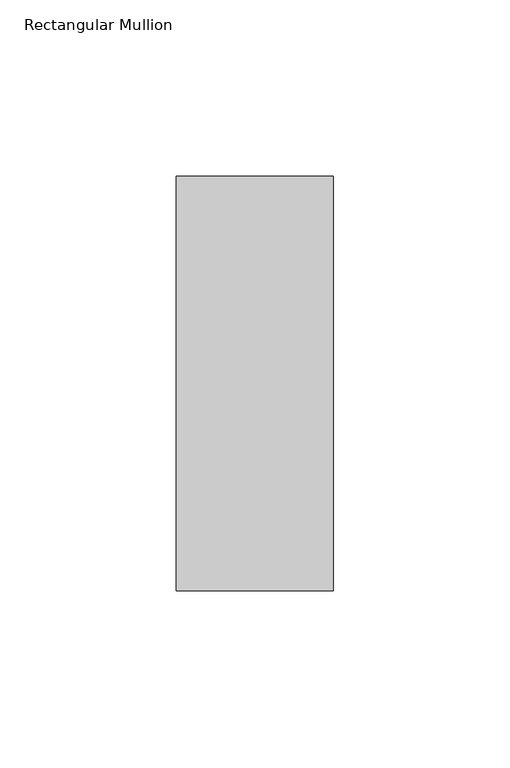
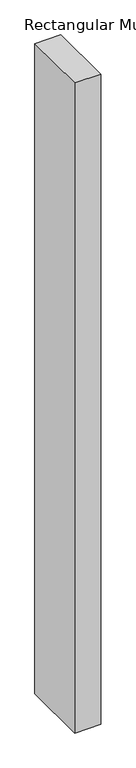
"""IFC4 building model written with IfcOpenShell, lengths in millimetres: member geometry, Rectangular Mullion."""

from ifc_helpers import new_model, si_unit, frame, origin, place, context, project, spatial, polyline, outline, extrude, source, transform, mapped, element, save


def rectangular_mullion_c1e21acc(model_context):
    return source(origin(), model_context, "Body", "SweptSolid", [
        extrude(outline(polyline([(-44.45, 57.1464454), (0.0, 57.1464454), (0.0, -60.3203935), (-44.45, -60.3203935), (-44.45, 57.1464454)])), frame((0.0, 0.0, -1174.75), z_axis=(0.0, 0.0, 1.0), x_axis=(1.0, 0.0, 0.0)), (0.0, 0.0, 1.0), 1174.75),
    ])


if __name__ == "__main__":
    model = new_model("IFC4")
    model_context = context("Model", 3, world=origin())
    ifc_project = project(units=[si_unit("LENGTHUNIT", "METRE", prefix="MILLI")], contexts=[model_context])
    site = spatial("IfcSite", under=ifc_project)
    building = spatial("IfcBuilding", under=site)
    placement = place(None, origin())
    rectangular_mullion_shape = rectangular_mullion_c1e21acc(model_context)
    element("IfcMember", 1, ObjectType="Rectangular Mullion", at=placement, inside=building, context=model_context, shape_type="MappedRepresentation", body=[
        mapped(rectangular_mullion_shape, transform((0.0, 0.0, 0.0), x_axis=(1.0, 0.0, 0.0), y_axis=(0.0, 1.0, 0.0), z_axis=(0.0, 0.0, 1.0))),
    ])
    save(model, "model.ifc")
